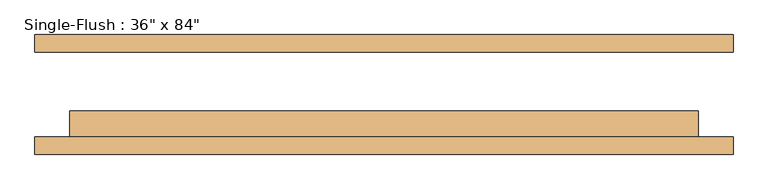
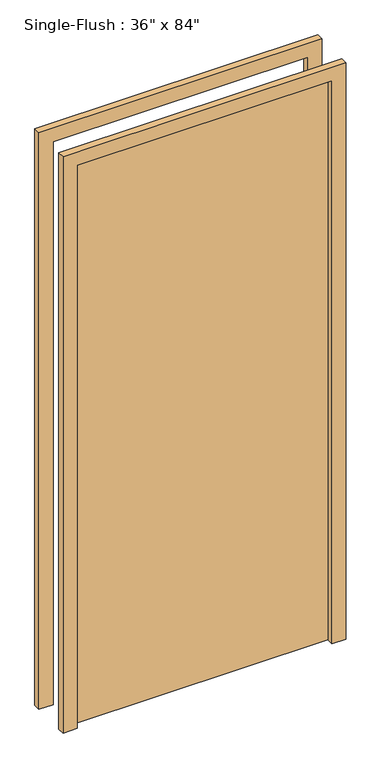
"""IFC4 building model written with IfcOpenShell, lengths in millimetres: door geometry."""

from ifc_helpers import new_model, si_unit, frame, origin, origin_with_axes, place, context, project, spatial, polyline, outline, extrude, source, transform, mapped, element, save


def door_0c51e390(model_context):
    return source(origin(), model_context, "Body", "SweptSolid", [
        extrude(outline(polyline([(457.2, -23.8125), (457.2, -61.9125), (-457.2, -61.9125), (-457.2, -23.8125), (457.2, -23.8125)])), origin_with_axes(), (0.0, 0.0, 1.0), 2133.6),
        extrude(outline(polyline([(2184.4, -508.0), (0.0, -508.0), (0.0, -457.2), (2133.6, -457.2), (2133.6, 457.2), (0.0, 457.2), (0.0, 508.0), (2184.4, 508.0), (2184.4, -508.0)])), frame((0.0, -87.3125, 0.0), z_axis=(0.0, 1.0, 0.0), x_axis=(0.0, 0.0, 1.0)), (0.0, 0.0, 1.0), 25.4),
        extrude(outline(polyline([(2184.4, 508.0), (2184.4, -508.0), (0.0, -508.0), (0.0, -457.2), (2133.6, -457.2), (2133.6, 457.2), (0.0, 457.2), (0.0, 508.0), (2184.4, 508.0)])), frame((0.0, 61.9125, 0.0), z_axis=(0.0, 1.0, 0.0), x_axis=(0.0, 0.0, 1.0)), (0.0, 0.0, 1.0), 25.4),
    ])


if __name__ == "__main__":
    model = new_model("IFC4")
    model_context = context("Model", 3, world=origin())
    ifc_project = project(units=[si_unit("LENGTHUNIT", "METRE", prefix="MILLI")], contexts=[model_context])
    site = spatial("IfcSite", under=ifc_project)
    building = spatial("IfcBuilding", under=site)
    placement = place(None, origin())
    door_shape = door_0c51e390(model_context)
    element("IfcDoor", 1, ObjectType="Single-Flush : 36\" x 84\"", at=placement, inside=building, context=model_context, shape_type="MappedRepresentation", body=[
        mapped(door_shape, transform((0.0, 0.0, 0.0), x_axis=(1.0, 0.0, 0.0), y_axis=(0.0, 1.0, 0.0), z_axis=(0.0, 0.0, 1.0))),
    ])
    save(model, "model.ifc")
